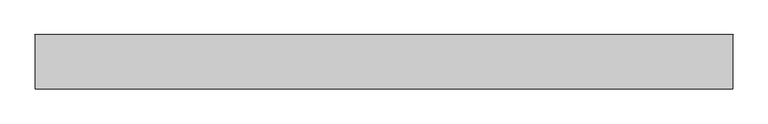
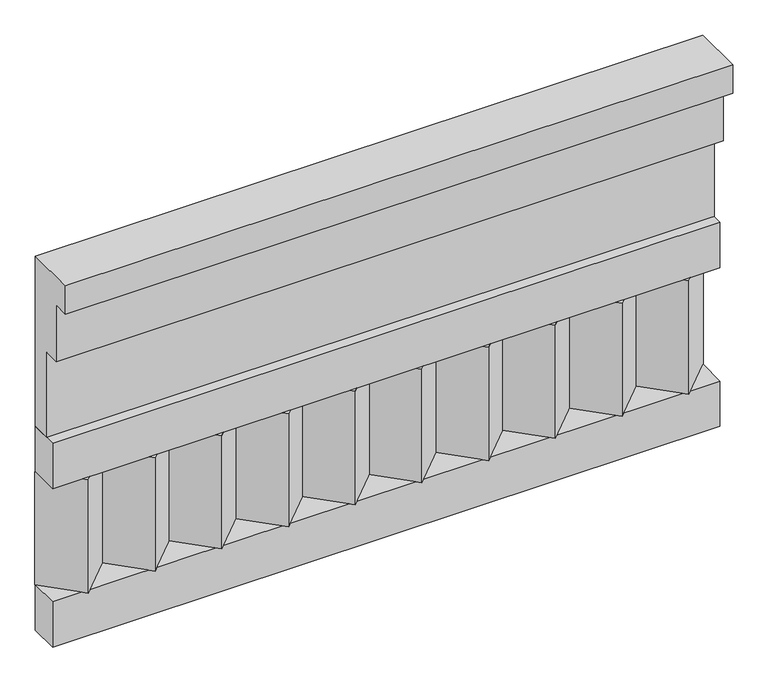
"""IFC4 building model written with IfcOpenShell, lengths in millimetres: railing geometry."""

from ifc_helpers import new_model, si_unit, frame, origin, place, context, project, spatial, polyline, outline, extrude, source, transform, mapped, element, save


def railing_98b8feee(model_context):
    return source(origin(), model_context, "Body", "SweptSolid", [
        extrude(outline(polyline([(-16816.8920513, 21800.0), (-16816.8920513, 21350.0), (-16866.8920513, 21350.0), (-16866.8920513, 21575.0), (-16906.8920513, 21575.0), (-16906.8920513, 21725.0), (-16946.8920513, 21725.0), (-16946.8920513, 21800.0), (-16816.8920513, 21800.0)])), frame((36460.0112841, 0.0, 0.0), z_axis=(1.0, 0.0, 0.0), x_axis=(0.0, 1.0, 0.0)), (0.0, 0.0, 1.0), 1670.0),
        extrude(outline(polyline([(36460.0112841, -16891.8920513), (36460.0112841, -16816.8920513), (38130.0112841, -16816.8920513), (38130.0112841, -16891.8920513), (36460.0112841, -16891.8920513)])), frame((0.0, 0.0, 21230.0), z_axis=(0.0, 0.0, 1.0), x_axis=(1.0, 0.0, 0.0)), (0.0, 0.0, 1.0), 120.0),
        extrude(outline(polyline([(36460.0112841, -16891.8920513), (36460.0112841, -16816.8920513), (38130.0112841, -16816.8920513), (38130.0112841, -16891.8920513), (36460.0112841, -16891.8920513)])), frame((0.0, 0.0, 20810.0), z_axis=(0.0, 0.0, 1.0), x_axis=(1.0, 0.0, 0.0)), (0.0, 0.0, 1.0), 120.0),
        extrude(outline(polyline([(38046.5112841, -16901.7448651), (37961.6584704, -16816.8920513), (38131.3640978, -16816.8920513), (38046.5112841, -16901.7448651)])), frame((0.0, 0.0, 20930.0), z_axis=(0.0, 0.0, 1.0), x_axis=(1.0, 0.0, 0.0)), (0.0, 0.0, 1.0), 300.0),
        extrude(outline(polyline([(37879.5112841, -16901.7448651), (37794.6584704, -16816.8920513), (37964.3640978, -16816.8920513), (37879.5112841, -16901.7448651)])), frame((0.0, 0.0, 20930.0), z_axis=(0.0, 0.0, 1.0), x_axis=(1.0, 0.0, 0.0)), (0.0, 0.0, 1.0), 300.0),
        extrude(outline(polyline([(37712.5112841, -16901.7448651), (37627.6584704, -16816.8920513), (37797.3640978, -16816.8920513), (37712.5112841, -16901.7448651)])), frame((0.0, 0.0, 20930.0), z_axis=(0.0, 0.0, 1.0), x_axis=(1.0, 0.0, 0.0)), (0.0, 0.0, 1.0), 300.0),
        extrude(outline(polyline([(37545.5112841, -16901.7448651), (37460.6584704, -16816.8920513), (37630.3640978, -16816.8920513), (37545.5112841, -16901.7448651)])), frame((0.0, 0.0, 20930.0), z_axis=(0.0, 0.0, 1.0), x_axis=(1.0, 0.0, 0.0)), (0.0, 0.0, 1.0), 300.0),
        extrude(outline(polyline([(37378.5112841, -16901.7448651), (37293.6584704, -16816.8920513), (37463.3640978, -16816.8920513), (37378.5112841, -16901.7448651)])), frame((0.0, 0.0, 20930.0), z_axis=(0.0, 0.0, 1.0), x_axis=(1.0, 0.0, 0.0)), (0.0, 0.0, 1.0), 300.0),
        extrude(outline(polyline([(37211.5112841, -16901.7448651), (37126.6584704, -16816.8920513), (37296.3640978, -16816.8920513), (37211.5112841, -16901.7448651)])), frame((0.0, 0.0, 20930.0), z_axis=(0.0, 0.0, 1.0), x_axis=(1.0, 0.0, 0.0)), (0.0, 0.0, 1.0), 300.0),
        extrude(outline(polyline([(37044.5112841, -16901.7448651), (36959.6584704, -16816.8920513), (37129.3640978, -16816.8920513), (37044.5112841, -16901.7448651)])), frame((0.0, 0.0, 20930.0), z_axis=(0.0, 0.0, 1.0), x_axis=(1.0, 0.0, 0.0)), (0.0, 0.0, 1.0), 300.0),
        extrude(outline(polyline([(36877.5112841, -16901.7448651), (36792.6584704, -16816.8920513), (36962.3640978, -16816.8920513), (36877.5112841, -16901.7448651)])), frame((0.0, 0.0, 20930.0), z_axis=(0.0, 0.0, 1.0), x_axis=(1.0, 0.0, 0.0)), (0.0, 0.0, 1.0), 300.0),
        extrude(outline(polyline([(36710.5112841, -16901.7448651), (36625.6584704, -16816.8920513), (36795.3640978, -16816.8920513), (36710.5112841, -16901.7448651)])), frame((0.0, 0.0, 20930.0), z_axis=(0.0, 0.0, 1.0), x_axis=(1.0, 0.0, 0.0)), (0.0, 0.0, 1.0), 300.0),
        extrude(outline(polyline([(36543.5112841, -16901.7448651), (36458.6584704, -16816.8920513), (36628.3640978, -16816.8920513), (36543.5112841, -16901.7448651)])), frame((0.0, 0.0, 20930.0), z_axis=(0.0, 0.0, 1.0), x_axis=(1.0, 0.0, 0.0)), (0.0, 0.0, 1.0), 300.0),
    ])


if __name__ == "__main__":
    model = new_model("IFC4")
    model_context = context("Model", 3, world=origin())
    ifc_project = project(units=[si_unit("LENGTHUNIT", "METRE", prefix="MILLI")], contexts=[model_context])
    site = spatial("IfcSite", under=ifc_project)
    building = spatial("IfcBuilding", under=site)
    placement = place(None, origin())
    railing_shape = railing_98b8feee(model_context)
    element("IfcRailing", 1, at=placement, inside=building, context=model_context, shape_type="MappedRepresentation", body=[
        mapped(railing_shape, transform((0.0, 0.0, 0.0), x_axis=(1.0, 0.0, 0.0), y_axis=(0.0, 1.0, 0.0), z_axis=(0.0, 0.0, 1.0))),
    ])
    save(model, "model.ifc")
